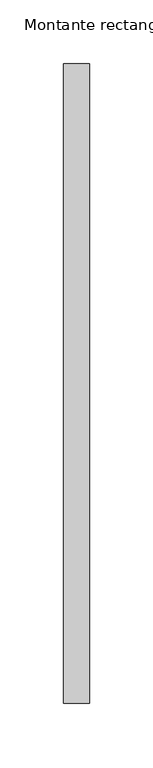
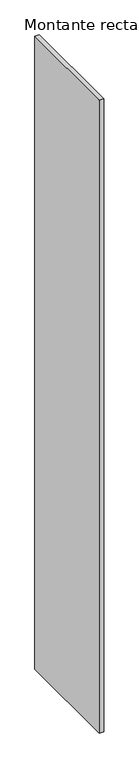
"""IFC4 building model written with IfcOpenShell, lengths in millimetres: member geometry, Montante rectangular."""

from ifc_helpers import new_model, si_unit, frame, origin, place, context, project, spatial, polyline, outline, extrude, source, transform, mapped, element, save


def montante_rectangular_0cf7e295(model_context):
    return source(origin(), model_context, "Body", "SweptSolid", [
        extrude(outline(polyline([(0.0, 250.0), (0.0, -250.0), (-20.0, -250.0), (-20.0, 250.0), (0.0, 250.0)])), frame((0.0, 0.0, -3000.0), z_axis=(0.0, 0.0, 1.0), x_axis=(1.0, 0.0, 0.0)), (0.0, 0.0, 1.0), 3000.0),
    ])


if __name__ == "__main__":
    model = new_model("IFC4")
    model_context = context("Model", 3, world=origin())
    ifc_project = project(units=[si_unit("LENGTHUNIT", "METRE", prefix="MILLI")], contexts=[model_context])
    site = spatial("IfcSite", under=ifc_project)
    building = spatial("IfcBuilding", under=site)
    placement = place(None, origin())
    montante_rectangular_shape = montante_rectangular_0cf7e295(model_context)
    element("IfcMember", 1, ObjectType="Montante rectangular", at=placement, inside=building, context=model_context, shape_type="MappedRepresentation", body=[
        mapped(montante_rectangular_shape, transform((0.0, 0.0, 0.0), x_axis=(1.0, 0.0, 0.0), y_axis=(0.0, 1.0, 0.0), z_axis=(0.0, 0.0, 1.0))),
    ])
    save(model, "model.ifc")
